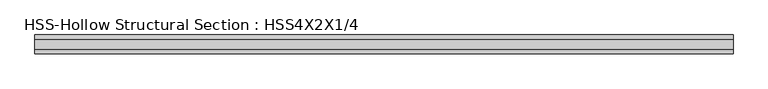
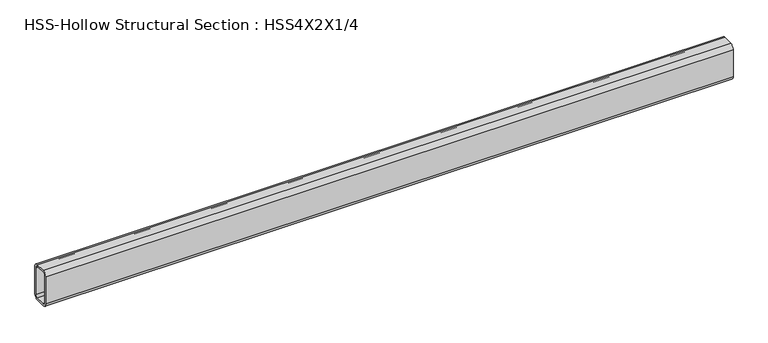
"""IFC4 building model written with IfcOpenShell, lengths in millimetres: beam geometry, HSS-Hollow Structural Section : HSS4X2X1/4."""

import ifcopenshell
import ifcopenshell.guid

model = None  # the IFC model being written
_history = None  # IfcOwnerHistory: only IFC2X3 demands one
_inside = {}  # id of a spatial element -> (the spatial element, [elements in it])
_under = {}  # id of a project, library or spatial element -> (it, [spatial elements below it])
_declared = {}  # id of a project -> (the project, [libraries it declares])
_typed = {}  # id of a type object -> (the type object, [elements of that type])
_made_of = {}  # id of a material, layer set ... -> (it, [elements and type objects made of it])


def new_model(schema):
    """Start an empty IFC model of exactly this schema.

    Asked for "IFC4X3", IfcOpenShell would pick the latest addendum, in which some entities
    have other attributes; the version numbers below select the first issue.
    IFC2X3 requires an IfcOwnerHistory on every rooted entity: one is made here for all.
    """
    global model, _history
    if schema == "IFC4X3":
        model = ifcopenshell.file(schema_version=(4, 3, 0, 0))
    else:
        model = ifcopenshell.file(schema=schema)
    _inside.clear()
    _under.clear()
    _declared.clear()
    _typed.clear()
    _made_of.clear()
    _history = None
    if model.schema == "IFC2X3":
        org = make("IfcOrganization", Name="unknown")
        user = make(
            "IfcPersonAndOrganization",
            ThePerson=make("IfcPerson", FamilyName="unknown"),
            TheOrganization=org,
        )
        app = make(
            "IfcApplication",
            ApplicationDeveloper=org,
            Version="unknown",
            ApplicationFullName="unknown",
            ApplicationIdentifier="unknown",
        )
        _history = make(
            "IfcOwnerHistory",
            OwningUser=user,
            OwningApplication=app,
            ChangeAction="ADDED",
            CreationDate=0,
        )
    return model


def make(cls, **values):
    """One entity of the class cls with the attributes given. An attribute that is None is left unset."""
    return model.create_entity(
        cls, **{name: value for name, value in values.items() if value is not None}
    )


def rooted(cls, **values):
    """An entity with a GlobalId (a new one), such as an element, a storey or a relation."""
    return make(cls, GlobalId=ifcopenshell.guid.new(), OwnerHistory=_history, **values)


def si_unit(unit_type, name, prefix=None):
    """IfcSIUnit, for example si_unit("LENGTHUNIT", "METRE", prefix="MILLI")."""
    return make("IfcSIUnit", UnitType=unit_type, Prefix=prefix, Name=name)


def assignment(units):
    """IfcUnitAssignment: the units of a project."""
    return None if units is None else make("IfcUnitAssignment", Units=units)


def point(xyz):
    """IfcCartesianPoint."""
    return None if xyz is None else make("IfcCartesianPoint", Coordinates=xyz)


def direction(xyz):
    """IfcDirection."""
    return None if xyz is None else make("IfcDirection", DirectionRatios=xyz)


def frame(location, z_axis=None, x_axis=None):
    """IfcAxis2Placement3D, a coordinate frame: its origin and axes. An axis left out is left unset."""
    return make(
        "IfcAxis2Placement3D",
        Location=point(location),
        Axis=direction(z_axis),
        RefDirection=direction(x_axis),
    )


def frame_2d(location, x_axis=None):
    """IfcAxis2Placement2D, a coordinate frame in the plane: its origin and x axis."""
    return make(
        "IfcAxis2Placement2D", Location=point(location), RefDirection=direction(x_axis)
    )


def origin():
    """The frame at (0, 0, 0) with its axes left unset."""
    return frame((0.0, 0.0, 0.0))


def place(relative_to, where):
    """IfcLocalPlacement: puts the frame where relative to a parent placement (None: the world)."""
    return make(
        "IfcLocalPlacement", PlacementRelTo=relative_to, RelativePlacement=where
    )


def context(
    kind, dimensions, precision=None, world=None, true_north=None, identifier=None
):
    """IfcGeometricRepresentationContext, for example the 3D "Model" context."""
    return make(
        "IfcGeometricRepresentationContext",
        ContextIdentifier=identifier,
        ContextType=kind,
        CoordinateSpaceDimension=dimensions,
        Precision=precision,
        WorldCoordinateSystem=world,
        TrueNorth=true_north,
    )


def project(units=None, contexts=None):
    """IfcProject with its units and contexts."""
    return rooted(
        "IfcProject",
        Name="project",
        RepresentationContexts=contexts,
        UnitsInContext=assignment(units),
    )


def spatial(cls, under=None, at=None, **own):
    """A site, building, storey or space (cls), placed at a placement, below another one or the project."""
    s = rooted(cls, ObjectPlacement=at, **own)
    if under is not None:
        _under.setdefault(under.id(), (under, []))[1].append(s)
    return s


def polyline(points):
    """IfcPolyline through the points."""
    return make("IfcPolyline", Points=[point(p) for p in points])


def circle_curve(where, radius):
    """IfcCircle in the frame where."""
    return make("IfcCircle", Position=where, Radius=radius)


def trimmed(basis, trim1, trim2, sense, master):
    """IfcTrimmedCurve: the piece of a basis curve between two trims."""
    return make(
        "IfcTrimmedCurve",
        BasisCurve=basis,
        Trim1=trim1,
        Trim2=trim2,
        SenseAgreement=sense,
        MasterRepresentation=master,
    )


def segment(curve, same_sense, transition):
    """IfcCompositeCurveSegment."""
    return make(
        "IfcCompositeCurveSegment",
        Transition=transition,
        SameSense=same_sense,
        ParentCurve=curve,
    )


def composite_curve(segments, self_intersect=None):
    """IfcCompositeCurve: segments joined end to end."""
    return make("IfcCompositeCurve", Segments=segments, SelfIntersect=self_intersect)


def outline(outer, holes=None, kind="AREA"):
    """IfcArbitraryClosedProfileDef: a profile drawn as a closed curve; with holes, ...WithVoids."""
    if holes is None:
        return make("IfcArbitraryClosedProfileDef", ProfileType=kind, OuterCurve=outer)
    return make(
        "IfcArbitraryProfileDefWithVoids",
        ProfileType=kind,
        OuterCurve=outer,
        InnerCurves=holes,
    )


def extrude(swept, where, along, depth):
    """IfcExtrudedAreaSolid: the profile swept, set in the frame where, extruded along a direction by depth."""
    return make(
        "IfcExtrudedAreaSolid",
        SweptArea=swept,
        Position=where,
        ExtrudedDirection=direction(along),
        Depth=depth,
    )


def shape(context_of_items, identifier, shape_type, items):
    """IfcShapeRepresentation: the items that make up one representation, for example the "Body"."""
    return make(
        "IfcShapeRepresentation",
        ContextOfItems=context_of_items,
        RepresentationIdentifier=identifier,
        RepresentationType=shape_type,
        Items=items,
    )


def source(mapping_origin, context_of_items, identifier, shape_type, items):
    """IfcRepresentationMap: a shape defined once, which mapped items show again and again."""
    return make(
        "IfcRepresentationMap",
        MappingOrigin=mapping_origin,
        MappedRepresentation=shape(context_of_items, identifier, shape_type, items),
    )


def transform(
    local_origin,
    x_axis=None,
    y_axis=None,
    z_axis=None,
    scale=None,
    scale2=None,
    scale3=None,
    uniform=True,
):
    """IfcCartesianTransformationOperator3D, or its non-uniform kind. x_axis, y_axis, z_axis: its Axis1, 2, 3."""
    if uniform:
        return make(
            "IfcCartesianTransformationOperator3D",
            Axis1=direction(x_axis),
            Axis2=direction(y_axis),
            LocalOrigin=point(local_origin),
            Scale=scale,
            Axis3=direction(z_axis),
        )
    return make(
        "IfcCartesianTransformationOperator3DnonUniform",
        Axis1=direction(x_axis),
        Axis2=direction(y_axis),
        LocalOrigin=point(local_origin),
        Scale=scale,
        Axis3=direction(z_axis),
        Scale2=scale2,
        Scale3=scale3,
    )


def mapped(mapping_source, mapping_target):
    """IfcMappedItem: shows the shape of a source again, moved by a transform."""
    return make(
        "IfcMappedItem", MappingSource=mapping_source, MappingTarget=mapping_target
    )


def made_of(thing, what):
    """Note that an element or type object is made of a material, layer set ...; save() writes the relation."""
    if what is not None:
        _made_of.setdefault(what.id(), (what, []))[1].append(thing)
    return thing


def element(
    cls,
    number,
    at=None,
    inside=None,
    cuts=None,
    type_object=None,
    material=None,
    context=None,
    identifier="Body",
    shape_type=None,
    held_by="IfcProductDefinitionShape",
    body=None,
    shapes=None,
    **own,
):
    """One element of the class cls, such as IfcWall. Its Tag is "e" and its number.

    at: its placement. inside: the storey or other place that contains it. cuts: it is an
    opening in that element (IfcRelVoidsElement). A single representation is given by context,
    identifier, shape_type and body (its items); several are given by shapes. held_by: the class
    of the entity that holds the representations. save() writes the other relations.
    """
    e = rooted(cls, Tag="e%d" % number, ObjectPlacement=at, **own)
    if body is not None:
        shapes = [shape(context, identifier, shape_type, body)]
    if shapes is not None:
        e.Representation = make(held_by, Representations=shapes)
    if inside is not None:
        _inside.setdefault(inside.id(), (inside, []))[1].append(e)
    if cuts is not None:
        rooted(
            "IfcRelVoidsElement", RelatingBuildingElement=cuts, RelatedOpeningElement=e
        )
    if type_object is not None:
        _typed.setdefault(type_object.id(), (type_object, []))[1].append(e)
    return made_of(e, material)


def aggregate(whole, parts):
    """IfcRelAggregates: a whole, such as a stair, and the parts it consists of."""
    return rooted("IfcRelAggregates", RelatingObject=whole, RelatedObjects=parts)


def save(model, path):
    """Write the relations noted so far, then the file.

    IfcRelAggregates (storeys below a building ...), IfcRelContainedInSpatialStructure (elements
    in a storey), IfcRelDefinesByType, IfcRelAssociatesMaterial and IfcRelDeclares: one each for
    every whole, place, type object, material and project.
    """
    for whole, parts in _under.values():
        aggregate(whole, parts)
    for where, things in _inside.values():
        rooted(
            "IfcRelContainedInSpatialStructure",
            RelatedElements=things,
            RelatingStructure=where,
        )
    for kind, things in _typed.values():
        rooted("IfcRelDefinesByType", RelatedObjects=things, RelatingType=kind)
    for what, things in _made_of.values():
        rooted("IfcRelAssociatesMaterial", RelatedObjects=things, RelatingMaterial=what)
    for by, libraries in _declared.values():
        rooted("IfcRelDeclares", RelatingContext=by, RelatedDefinitions=libraries)
    model.write(path)


def hss_hollow_structural_section_hss4x2x1_4_767c037f(model_context):
    return source(origin(), model_context, "Body", "SweptSolid", [
        extrude(outline(composite_curve([segment(polyline([(25.4, 38.9636), (25.4, -38.9636)]), True, "CONTINUOUS"), segment(trimmed(circle_curve(frame_2d((13.5636, -38.9636)), 11.8364), [point((25.4, -38.9636))], [point((13.5636, -50.8))], False, "CARTESIAN"), True, "CONTINUOUS"), segment(polyline([(13.5636, -50.8), (-13.5636, -50.8)]), True, "CONTINUOUS"), segment(trimmed(circle_curve(frame_2d((-13.5636, -38.9636)), 11.8364), [point((-13.5636, -50.8))], [point((-25.4, -38.9636))], False, "CARTESIAN"), True, "CONTINUOUS"), segment(polyline([(-25.4, -38.9636), (-25.4, 38.9636)]), True, "CONTINUOUS"), segment(trimmed(circle_curve(frame_2d((-13.5636, 38.9636)), 11.8364), [point((-25.4, 38.9636))], [point((-13.5636, 50.8))], False, "CARTESIAN"), True, "CONTINUOUS"), segment(polyline([(-13.5636, 50.8), (13.5636, 50.8)]), True, "CONTINUOUS"), segment(trimmed(circle_curve(frame_2d((13.5636, 38.9636)), 11.8364), [point((13.5636, 50.8))], [point((25.4, 38.9636))], False, "CARTESIAN"), True, "CONTINUOUS")], self_intersect=False), holes=[composite_curve([segment(trimmed(circle_curve(frame_2d((-13.5636, 38.9636)), 5.9182), [point((-13.5636, 44.8818))], [point((-19.4818, 38.9636))], True, "CARTESIAN"), True, "CONTINUOUS"), segment(polyline([(-19.4818, 38.9636), (-19.4818, -38.9636)]), True, "CONTINUOUS"), segment(trimmed(circle_curve(frame_2d((-13.5636, -38.9636)), 5.9182), [point((-19.4818, -38.9636))], [point((-13.5636, -44.8818))], True, "CARTESIAN"), True, "CONTINUOUS"), segment(polyline([(-13.5636, -44.8818), (13.5636, -44.8818)]), True, "CONTINUOUS"), segment(trimmed(circle_curve(frame_2d((13.5636, -38.9636)), 5.9182), [point((13.5636, -44.8818))], [point((19.4818, -38.9636))], True, "CARTESIAN"), True, "CONTINUOUS"), segment(polyline([(19.4818, -38.9636), (19.4818, 38.9636)]), True, "CONTINUOUS"), segment(trimmed(circle_curve(frame_2d((13.5636, 38.9636)), 5.9182), [point((19.4818, 38.9636))], [point((13.5636, 44.8818))], True, "CARTESIAN"), True, "CONTINUOUS"), segment(polyline([(13.5636, 44.8818), (-13.5636, 44.8818)]), True, "CONTINUOUS")], self_intersect=False)]), frame((-936.4802201, 0.0, 0.0), z_axis=(1.0, 0.0, 0.0), x_axis=(0.0, 1.0, 0.0)), (0.0, 0.0, 1.0), 1873.1052201),
    ])


if __name__ == "__main__":
    model = new_model("IFC4")
    model_context = context("Model", 3, world=origin())
    ifc_project = project(units=[si_unit("LENGTHUNIT", "METRE", prefix="MILLI")], contexts=[model_context])
    site = spatial("IfcSite", under=ifc_project)
    building = spatial("IfcBuilding", under=site)
    placement = place(None, origin())
    hss_hollow_structural_section_hss4x2x1_4_shape = hss_hollow_structural_section_hss4x2x1_4_767c037f(model_context)
    element("IfcBeam", 1, ObjectType="HSS-Hollow Structural Section : HSS4X2X1/4", at=placement, inside=building, context=model_context, shape_type="MappedRepresentation", body=[
        mapped(hss_hollow_structural_section_hss4x2x1_4_shape, transform((0.0, 0.0, 0.0), x_axis=(1.0, 0.0, 0.0), y_axis=(0.0, 1.0, 0.0), z_axis=(0.0, 0.0, 1.0))),
    ])
    save(model, "model.ifc")
